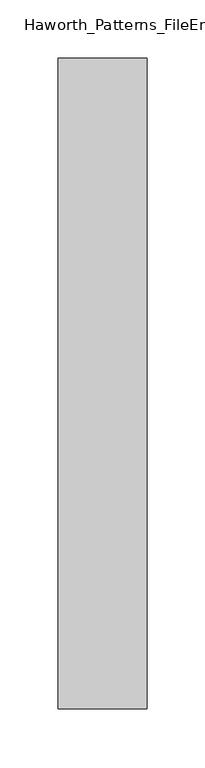
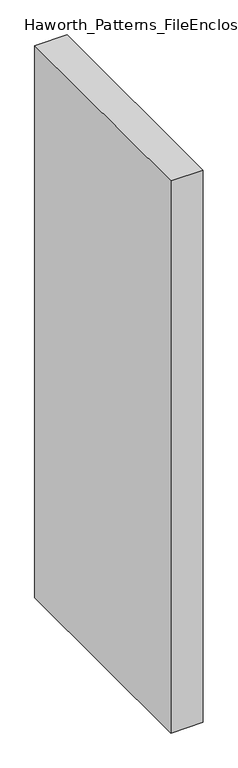
"""IFC4 building model written with IfcOpenShell, lengths in millimetres: furniture geometry, Haworth_Patterns_FileEnclosureVertical : 54.5h 22d."""

from ifc_helpers import new_model, si_unit, origin, origin_with_axes, place, context, project, spatial, polyline, outline, extrude, source, transform, mapped, element, save


def haworth_patterns_fileenclosurevertical_54_5h_22d_c3792d15(model_context):
    return source(origin(), model_context, "Body", "SweptSolid", [
        extrude(outline(polyline([(-38.1, 0.0), (38.1, 0.0), (38.1, -558.8), (-38.1, -558.8), (-38.1, 0.0)])), origin_with_axes(), (0.0, 0.0, 1.0), 1384.3),
        extrude(outline(polyline([(38.1, 0.0), (38.1, -558.8), (-38.1, -558.8), (-38.1, 0.0), (38.1, 0.0)])), origin_with_axes(), (0.0, 0.0, 1.0), 1384.3),
    ])


if __name__ == "__main__":
    model = new_model("IFC4")
    model_context = context("Model", 3, world=origin())
    ifc_project = project(units=[si_unit("LENGTHUNIT", "METRE", prefix="MILLI")], contexts=[model_context])
    site = spatial("IfcSite", under=ifc_project)
    building = spatial("IfcBuilding", under=site)
    placement = place(None, origin())
    haworth_patterns_fileenclosurevertical_54_5h_22d_shape = haworth_patterns_fileenclosurevertical_54_5h_22d_c3792d15(model_context)
    element("IfcFurniture", 1, ObjectType="Haworth_Patterns_FileEnclosureVertical : 54.5h 22d", at=placement, inside=building, context=model_context, shape_type="MappedRepresentation", body=[
        mapped(haworth_patterns_fileenclosurevertical_54_5h_22d_shape, transform((0.0, 0.0, 0.0), x_axis=(1.0, 0.0, 0.0), y_axis=(0.0, 1.0, 0.0), z_axis=(0.0, 0.0, 1.0))),
    ])
    save(model, "model.ifc")
